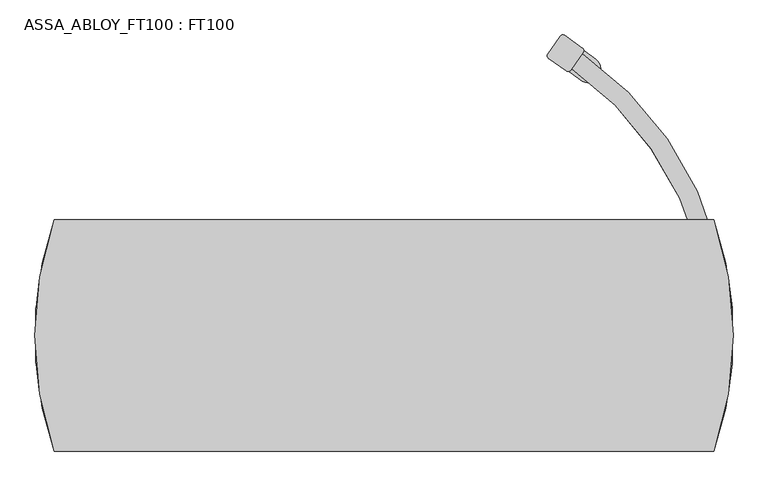
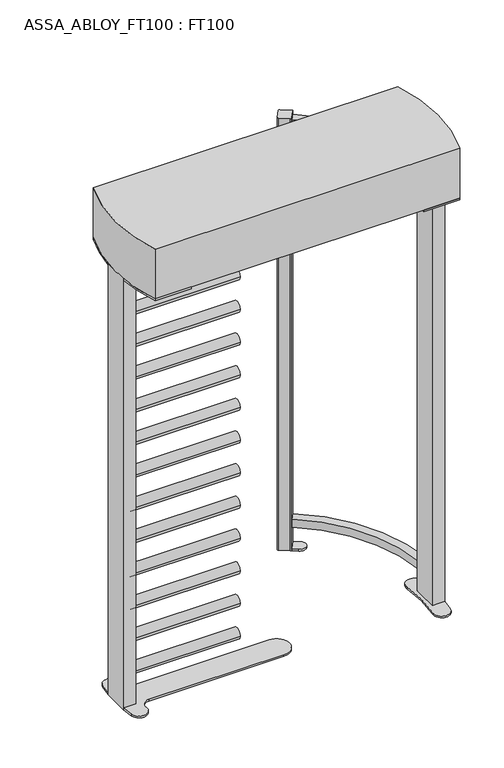
"""IFC4 building model written with IfcOpenShell, lengths in millimetres: proxy geometry, ASSA_ABLOY_FT100 : FT100."""

from ifc_helpers import new_model, si_unit, point, frame, frame_2d, origin, origin_with_axes, origin_2d, place, context, project, spatial, polyline, circle_curve, trimmed, segment, composite_curve, outline, extrude, source, transform, mapped, element, save


def assa_abloy_ft100_ft100_e4339508(model_context):
    return source(origin(), model_context, "Body", "SweptSolid", [
        extrude(outline(composite_curve([segment(polyline([(404.208902, 575.1310927), (427.2091121, 607.8570814)]), True, "CONTINUOUS"), segment(trimmed(circle_curve(origin_2d(), 742.9655826), [point((427.2091121, 607.8570814))], [point((740.5388963, 60.0))], False, "CARTESIAN"), True, "CONTINUOUS"), segment(polyline([(740.5388963, 60.0), (700.4003215, 60.0)]), True, "CONTINUOUS"), segment(trimmed(circle_curve(origin_2d(), 702.9655826), [point((700.4003215, 60.0))], [point((404.208902, 575.1310927))], True, "CARTESIAN"), True, "CONTINUOUS")], self_intersect=False)), frame((0.0, 0.0, 108.5), z_axis=(0.0, 0.0, 1.0), x_axis=(1.0, 0.0, 0.0)), (0.0, 0.0, 1.0), 40.0),
        extrude(outline(composite_curve([segment(polyline([(404.208902, 575.1310927), (427.2091121, 607.8570814)]), True, "CONTINUOUS"), segment(trimmed(circle_curve(origin_2d(), 742.9655826), [point((427.2091121, 607.8570814))], [point((740.5388963, 60.0))], False, "CARTESIAN"), True, "CONTINUOUS"), segment(polyline([(740.5388963, 60.0), (700.4003215, 60.0)]), True, "CONTINUOUS"), segment(trimmed(circle_curve(origin_2d(), 702.9655826), [point((700.4003215, 60.0))], [point((404.208902, 575.1310927))], True, "CARTESIAN"), True, "CONTINUOUS")], self_intersect=False)), frame((0.0, 0.0, 2077.0), z_axis=(0.0, 0.0, 1.0), x_axis=(1.0, 0.0, 0.0)), (0.0, 0.0, 1.0), 40.0),
        extrude(outline(composite_curve([segment(polyline([(389.0883685, 646.7913309), (427.6852961, 619.6649559)]), True, "CONTINUOUS"), segment(trimmed(circle_curve(frame_2d((424.0052625, 614.4287977)), 6.4), [point((427.6852961, 619.6649559))], [point((429.2414207, 610.7487641))], False, "CARTESIAN"), True, "CONTINUOUS"), segment(polyline([(429.2414207, 610.7487641), (402.1011728, 572.1320974)]), True, "CONTINUOUS"), segment(trimmed(circle_curve(frame_2d((396.8650146, 575.812131)), 6.4), [point((402.1011728, 572.1320974))], [point((393.1849809, 570.5759728))], False, "CARTESIAN"), True, "CONTINUOUS"), segment(polyline([(393.1849809, 570.5759728), (354.5880534, 597.7023478)]), True, "CONTINUOUS"), segment(trimmed(circle_curve(frame_2d((358.268087, 602.938506)), 6.4), [point((354.5880534, 597.7023478))], [point((353.0319288, 606.6185396))], False, "CARTESIAN"), True, "CONTINUOUS"), segment(polyline([(353.0319288, 606.6185396), (380.1721767, 645.2352063)]), True, "CONTINUOUS"), segment(trimmed(circle_curve(frame_2d((385.4083349, 641.5551727)), 6.4), [point((380.1721767, 645.2352063))], [point((389.0883685, 646.7913309))], False, "CARTESIAN"), True, "CONTINUOUS")], self_intersect=False)), origin_with_axes(), (0.0, 0.0, 1.0), 2130.0),
        extrude(outline(composite_curve([segment(polyline([(399.5334393, 568.4785823), (431.7337334, 614.2949664)]), True, "CONTINUOUS"), segment(trimmed(circle_curve(frame_2d((-22.7301443, -32.341724)), 790.3647421), [point((431.7337334, 614.2949664))], [point((456.8276812, 595.9103891))], False, "CARTESIAN"), True, "CONTINUOUS"), segment(trimmed(circle_curve(frame_2d((439.8385388, 573.6535016)), 28.0), [point((456.8276812, 595.9103891))], [point((422.8493965, 551.396614))], False, "CARTESIAN"), True, "CONTINUOUS"), segment(trimmed(circle_curve(frame_2d((-22.7301443, -32.341724)), 734.3647421), [point((422.8493965, 551.396614))], [point((399.5334393, 568.4785823))], True, "CARTESIAN"), True, "CONTINUOUS")], self_intersect=False)), origin_with_axes(), (0.0, 0.0, 1.0), 8.0),
        extrude(outline(polyline([(-750.5, 60.0), (-690.5, 60.0), (-690.5, -60.0), (-750.5, -60.0), (-750.5, 60.0)])), origin_with_axes(), (0.0, 0.0, 1.0), 2125.0),
        extrude(outline(composite_curve([segment(polyline([(-690.5, 60.0), (-750.0173279, 60.0)]), True, "CONTINUOUS"), segment(trimmed(circle_curve(frame_2d((-338.1697725, 40.0548858)), 412.3302275), [point((-750.0173279, 60.0))], [point((-743.1679317, 117.4674657))], False, "CARTESIAN"), True, "CONTINUOUS"), segment(trimmed(circle_curve(frame_2d((-705.4962379, 110.0240943)), 38.4000039), [point((-743.1679317, 117.4674657))], [point((-667.557831, 104.0879695))], False, "CARTESIAN"), True, "CONTINUOUS"), segment(trimmed(circle_curve(frame_2d((-629.8317737, 98.1850705)), 38.1850705), [point((-667.557831, 104.0879695))], [point((-629.8317737, 60.0))], True, "CARTESIAN"), True, "CONTINUOUS"), segment(polyline([(-629.8317737, 60.0), (0.0, 60.0)]), True, "CONTINUOUS"), segment(trimmed(circle_curve(origin_2d(), 60.0), [point((0.0, 60.0))], [point((0.0, -60.0))], False, "CARTESIAN"), True, "CONTINUOUS"), segment(polyline([(0.0, -60.0), (-629.8317737, -60.0)]), True, "CONTINUOUS"), segment(trimmed(circle_curve(frame_2d((-629.8317737, -98.1850705)), 38.1850705), [point((-629.8317737, -60.0))], [point((-667.5597086, -104.0759565))], True, "CARTESIAN"), True, "CONTINUOUS"), segment(trimmed(circle_curve(frame_2d((-705.5, -110.0)), 38.4), [point((-667.5597086, -104.0759565))], [point((-743.2222265, -117.1828705))], False, "CARTESIAN"), True, "CONTINUOUS"), segment(trimmed(circle_curve(frame_2d((-338.1697725, -40.0548858)), 412.3302275), [point((-743.2222265, -117.1828705))], [point((-750.0173279, -60.0))], False, "CARTESIAN"), True, "CONTINUOUS"), segment(polyline([(-750.0173279, -60.0), (-690.5, -60.0), (-690.5, 60.0)]), True, "CONTINUOUS")], self_intersect=False)), origin_with_axes(), (0.0, 0.0, 1.0), 8.0),
        extrude(outline(composite_curve([segment(trimmed(circle_curve(frame_2d((0.0, 143.0)), 25.5), [point((-25.5, 143.0))], [point((25.5, 143.0))], False, "CARTESIAN"), True, "CONTINUOUS"), segment(trimmed(circle_curve(frame_2d((0.0, 143.0)), 25.5), [point((25.5, 143.0))], [point((-25.5, 143.0))], False, "CARTESIAN"), True, "CONTINUOUS")], self_intersect=False)), frame((-690.5, 0.0, 0.0), z_axis=(1.0, 0.0, 0.0), x_axis=(0.0, 1.0, 0.0)), (0.0, 0.0, 1.0), 506.3),
        extrude(outline(composite_curve([segment(trimmed(circle_curve(frame_2d((0.0, 304.0)), 25.5), [point((-25.5, 304.0))], [point((25.5, 304.0))], False, "CARTESIAN"), True, "CONTINUOUS"), segment(trimmed(circle_curve(frame_2d((0.0, 304.0)), 25.5), [point((25.5, 304.0))], [point((-25.5, 304.0))], False, "CARTESIAN"), True, "CONTINUOUS")], self_intersect=False)), frame((-690.5, 0.0, 0.0), z_axis=(1.0, 0.0, 0.0), x_axis=(0.0, 1.0, 0.0)), (0.0, 0.0, 1.0), 506.3),
        extrude(outline(composite_curve([segment(trimmed(circle_curve(frame_2d((0.0, 465.0)), 25.5), [point((-25.5, 465.0))], [point((25.5, 465.0))], False, "CARTESIAN"), True, "CONTINUOUS"), segment(trimmed(circle_curve(frame_2d((0.0, 465.0)), 25.5), [point((25.5, 465.0))], [point((-25.5, 465.0))], False, "CARTESIAN"), True, "CONTINUOUS")], self_intersect=False)), frame((-690.5, 0.0, 0.0), z_axis=(1.0, 0.0, 0.0), x_axis=(0.0, 1.0, 0.0)), (0.0, 0.0, 1.0), 506.3),
        extrude(outline(composite_curve([segment(trimmed(circle_curve(frame_2d((0.0, 626.0)), 25.5), [point((-25.5, 626.0))], [point((25.5, 626.0))], False, "CARTESIAN"), True, "CONTINUOUS"), segment(trimmed(circle_curve(frame_2d((0.0, 626.0)), 25.5), [point((25.5, 626.0))], [point((-25.5, 626.0))], False, "CARTESIAN"), True, "CONTINUOUS")], self_intersect=False)), frame((-690.5, 0.0, 0.0), z_axis=(1.0, 0.0, 0.0), x_axis=(0.0, 1.0, 0.0)), (0.0, 0.0, 1.0), 506.3),
        extrude(outline(composite_curve([segment(trimmed(circle_curve(frame_2d((0.0, 787.0)), 25.5), [point((-25.5, 787.0))], [point((25.5, 787.0))], False, "CARTESIAN"), True, "CONTINUOUS"), segment(trimmed(circle_curve(frame_2d((0.0, 787.0)), 25.5), [point((25.5, 787.0))], [point((-25.5, 787.0))], False, "CARTESIAN"), True, "CONTINUOUS")], self_intersect=False)), frame((-690.5, 0.0, 0.0), z_axis=(1.0, 0.0, 0.0), x_axis=(0.0, 1.0, 0.0)), (0.0, 0.0, 1.0), 506.3),
        extrude(outline(composite_curve([segment(trimmed(circle_curve(frame_2d((0.0, 948.0)), 25.5), [point((-25.5, 948.0))], [point((25.5, 948.0))], False, "CARTESIAN"), True, "CONTINUOUS"), segment(trimmed(circle_curve(frame_2d((0.0, 948.0)), 25.5), [point((25.5, 948.0))], [point((-25.5, 948.0))], False, "CARTESIAN"), True, "CONTINUOUS")], self_intersect=False)), frame((-690.5, 0.0, 0.0), z_axis=(1.0, 0.0, 0.0), x_axis=(0.0, 1.0, 0.0)), (0.0, 0.0, 1.0), 506.3),
        extrude(outline(composite_curve([segment(trimmed(circle_curve(frame_2d((0.0, 1109.0)), 25.5), [point((-25.5, 1109.0))], [point((25.5, 1109.0))], False, "CARTESIAN"), True, "CONTINUOUS"), segment(trimmed(circle_curve(frame_2d((0.0, 1109.0)), 25.5), [point((25.5, 1109.0))], [point((-25.5, 1109.0))], False, "CARTESIAN"), True, "CONTINUOUS")], self_intersect=False)), frame((-690.5, 0.0, 0.0), z_axis=(1.0, 0.0, 0.0), x_axis=(0.0, 1.0, 0.0)), (0.0, 0.0, 1.0), 506.3),
        extrude(outline(composite_curve([segment(trimmed(circle_curve(frame_2d((0.0, 1270.0)), 25.5), [point((-25.5, 1270.0))], [point((25.5, 1270.0))], False, "CARTESIAN"), True, "CONTINUOUS"), segment(trimmed(circle_curve(frame_2d((0.0, 1270.0)), 25.5), [point((25.5, 1270.0))], [point((-25.5, 1270.0))], False, "CARTESIAN"), True, "CONTINUOUS")], self_intersect=False)), frame((-690.5, 0.0, 0.0), z_axis=(1.0, 0.0, 0.0), x_axis=(0.0, 1.0, 0.0)), (0.0, 0.0, 1.0), 506.3),
        extrude(outline(composite_curve([segment(trimmed(circle_curve(frame_2d((0.0, 1431.0)), 25.5), [point((-25.5, 1431.0))], [point((25.5, 1431.0))], False, "CARTESIAN"), True, "CONTINUOUS"), segment(trimmed(circle_curve(frame_2d((0.0, 1431.0)), 25.5), [point((25.5, 1431.0))], [point((-25.5, 1431.0))], False, "CARTESIAN"), True, "CONTINUOUS")], self_intersect=False)), frame((-690.5, 0.0, 0.0), z_axis=(1.0, 0.0, 0.0), x_axis=(0.0, 1.0, 0.0)), (0.0, 0.0, 1.0), 506.3),
        extrude(outline(composite_curve([segment(trimmed(circle_curve(frame_2d((0.0, 1592.0)), 25.5), [point((-25.5, 1592.0))], [point((25.5, 1592.0))], False, "CARTESIAN"), True, "CONTINUOUS"), segment(trimmed(circle_curve(frame_2d((0.0, 1592.0)), 25.5), [point((25.5, 1592.0))], [point((-25.5, 1592.0))], False, "CARTESIAN"), True, "CONTINUOUS")], self_intersect=False)), frame((-690.5, 0.0, 0.0), z_axis=(1.0, 0.0, 0.0), x_axis=(0.0, 1.0, 0.0)), (0.0, 0.0, 1.0), 506.3),
        extrude(outline(composite_curve([segment(trimmed(circle_curve(frame_2d((0.0, 1753.0)), 25.5), [point((-25.5, 1753.0))], [point((25.5, 1753.0))], False, "CARTESIAN"), True, "CONTINUOUS"), segment(trimmed(circle_curve(frame_2d((0.0, 1753.0)), 25.5), [point((25.5, 1753.0))], [point((-25.5, 1753.0))], False, "CARTESIAN"), True, "CONTINUOUS")], self_intersect=False)), frame((-690.5, 0.0, 0.0), z_axis=(1.0, 0.0, 0.0), x_axis=(0.0, 1.0, 0.0)), (0.0, 0.0, 1.0), 506.3),
        extrude(outline(composite_curve([segment(trimmed(circle_curve(frame_2d((0.0, 1914.0)), 25.5), [point((-25.5, 1914.0))], [point((25.5, 1914.0))], False, "CARTESIAN"), True, "CONTINUOUS"), segment(trimmed(circle_curve(frame_2d((0.0, 1914.0)), 25.5), [point((25.5, 1914.0))], [point((-25.5, 1914.0))], False, "CARTESIAN"), True, "CONTINUOUS")], self_intersect=False)), frame((-690.5, 0.0, 0.0), z_axis=(1.0, 0.0, 0.0), x_axis=(0.0, 1.0, 0.0)), (0.0, 0.0, 1.0), 506.3),
        extrude(outline(composite_curve([segment(trimmed(circle_curve(frame_2d((0.0, 2075.0)), 25.5), [point((-25.5, 2075.0))], [point((25.5, 2075.0))], False, "CARTESIAN"), True, "CONTINUOUS"), segment(trimmed(circle_curve(frame_2d((0.0, 2075.0)), 25.5), [point((25.5, 2075.0))], [point((-25.5, 2075.0))], False, "CARTESIAN"), True, "CONTINUOUS")], self_intersect=False)), frame((-690.5, 0.0, 0.0), z_axis=(1.0, 0.0, 0.0), x_axis=(0.0, 1.0, 0.0)), (0.0, 0.0, 1.0), 506.3),
        extrude(outline(composite_curve([segment(polyline([(-541.1, 249.999079), (-541.1, -249.999079), (-710.4571641, -249.999079)]), True, "CONTINUOUS"), segment(trimmed(circle_curve(frame_2d((11.8, -0.000921)), 764.3), [point((-710.4571641, -249.999079))], [point((-750.1413367, -60.0))], False, "CARTESIAN"), True, "CONTINUOUS"), segment(polyline([(-750.1413367, -60.0), (-690.5260248, -60.0), (-690.5260248, 60.0), (-750.1411916, 60.0)]), True, "CONTINUOUS"), segment(trimmed(circle_curve(frame_2d((11.8, -0.000921)), 764.3), [point((-750.1411916, 60.0))], [point((-710.4565265, 249.999079))], False, "CARTESIAN"), True, "CONTINUOUS"), segment(polyline([(-710.4565265, 249.999079), (-541.1, 249.999079)]), True, "CONTINUOUS")], self_intersect=False)), frame((0.0, 0.0, 2117.0), z_axis=(0.0, 0.0, 1.0), x_axis=(1.0, 0.0, 0.0)), (0.0, 0.0, 1.0), 8.0),
        extrude(outline(composite_curve([segment(polyline([(541.1, 249.999079), (710.4565269, 249.999079)]), True, "CONTINUOUS"), segment(trimmed(circle_curve(frame_2d((-11.8, 0.1034443)), 764.2658692), [point((710.4565269, 249.999079))], [point((750.1151668, 60.0))], False, "CARTESIAN"), True, "CONTINUOUS"), segment(polyline([(750.1151668, 60.0), (690.5, 60.0), (690.5, -60.0), (750.167361, -60.0)]), True, "CONTINUOUS"), segment(trimmed(circle_curve(frame_2d((-11.8, 0.1034443)), 764.3341437), [point((750.167361, -60.0))], [point((710.4571641, -249.999079))], False, "CARTESIAN"), True, "CONTINUOUS"), segment(polyline([(710.4571641, -249.999079), (541.1, -249.999079), (541.1, 249.999079)]), True, "CONTINUOUS")], self_intersect=False)), frame((0.0, 0.0, 2117.0), z_axis=(0.0, 0.0, 1.0), x_axis=(1.0, 0.0, 0.0)), (0.0, 0.0, 1.0), 8.0),
        extrude(outline(composite_curve([segment(trimmed(circle_curve(frame_2d((-11.8, -0.000921)), 764.3), [point((710.4565265, 249.999079))], [point((710.4571641, -249.999079))], False, "CARTESIAN"), True, "CONTINUOUS"), segment(polyline([(710.4571641, -249.999079), (-710.4571641, -249.999079)]), True, "CONTINUOUS"), segment(trimmed(circle_curve(frame_2d((11.8, -0.000921)), 764.3), [point((-710.4571641, -249.999079))], [point((-710.4565265, 249.999079))], False, "CARTESIAN"), True, "CONTINUOUS"), segment(polyline([(-710.4565265, 249.999079), (710.4565265, 249.999079)]), True, "CONTINUOUS")], self_intersect=False)), frame((0.0, 0.0, 2125.0), z_axis=(0.0, 0.0, 1.0), x_axis=(1.0, 0.0, 0.0)), (0.0, 0.0, 1.0), 245.0),
        extrude(outline(composite_curve([segment(polyline([(690.5, 60.0), (690.5, -60.0), (750.2316667, -60.0)]), True, "CONTINUOUS"), segment(trimmed(circle_curve(frame_2d((0.6285881, 0.0)), 752.0005156), [point((750.2316667, -60.0))], [point((743.6410351, -115.9192782))], False, "CARTESIAN"), True, "CONTINUOUS"), segment(trimmed(circle_curve(frame_2d((705.7, -110.0)), 38.4), [point((743.6410351, -115.9192782))], [point((667.7118538, -104.391012))], False, "CARTESIAN"), True, "CONTINUOUS"), segment(trimmed(circle_curve(frame_2d((-39.3, 0.0)), 714.6770213), [point((667.7118538, -104.391012))], [point((667.7118538, 104.391012))], True, "CARTESIAN"), True, "CONTINUOUS"), segment(trimmed(circle_curve(frame_2d((705.7, 110.0)), 38.4), [point((667.7118538, 104.391012))], [point((743.6410351, 115.9192782))], False, "CARTESIAN"), True, "CONTINUOUS"), segment(trimmed(circle_curve(frame_2d((0.6285881, 0.0)), 752.0005156), [point((743.6410351, 115.9192782))], [point((750.2316667, 60.0))], False, "CARTESIAN"), True, "CONTINUOUS"), segment(polyline([(750.2316667, 60.0), (690.5, 60.0)]), True, "CONTINUOUS")], self_intersect=False)), origin_with_axes(), (0.0, 0.0, 1.0), 8.0),
        extrude(outline(polyline([(750.5, 60.0), (750.5, -60.0), (690.5, -60.0), (690.5, 60.0), (750.5, 60.0)])), origin_with_axes(), (0.0, 0.0, 1.0), 2125.0),
    ])


if __name__ == "__main__":
    model = new_model("IFC4")
    model_context = context("Model", 3, world=origin())
    ifc_project = project(units=[si_unit("LENGTHUNIT", "METRE", prefix="MILLI")], contexts=[model_context])
    site = spatial("IfcSite", under=ifc_project)
    building = spatial("IfcBuilding", under=site)
    placement = place(None, origin())
    assa_abloy_ft100_ft100_shape = assa_abloy_ft100_ft100_e4339508(model_context)
    element("IfcBuildingElementProxy", 1, Name="ASSA_ABLOY_FT100 : FT100", ObjectType="ASSA_ABLOY_FT100 : FT100", at=placement, inside=building, context=model_context, shape_type="MappedRepresentation", body=[
        mapped(assa_abloy_ft100_ft100_shape, transform((0.0, 0.0, 0.0), x_axis=(1.0, 0.0, 0.0), y_axis=(0.0, 1.0, 0.0), z_axis=(0.0, 0.0, 1.0))),
    ])
    save(model, "model.ifc")
